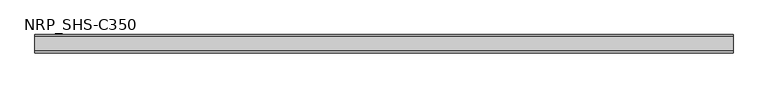
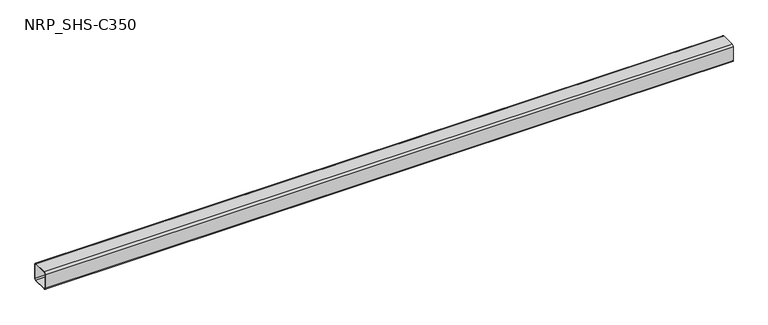
"""IFC4 building model written with IfcOpenShell, lengths in millimetres: member geometry, NRP_SHS-C350."""

from ifc_helpers import new_model, si_unit, point, frame, frame_2d, origin, place, context, project, spatial, polyline, circle_curve, trimmed, segment, composite_curve, outline, extrude, source, transform, mapped, element, save


def nrp_shs_c350_07a56421(model_context):
    return source(origin(), model_context, "Body", "SweptSolid", [
        extrude(outline(composite_curve([segment(trimmed(circle_curve(frame_2d((-35.75, 35.75)), 8.75), [point((-44.5, 35.75))], [point((-35.75, 44.5))], False, "CARTESIAN"), True, "CONTINUOUS"), segment(polyline([(-35.75, 44.5), (35.75, 44.5)]), True, "CONTINUOUS"), segment(trimmed(circle_curve(frame_2d((35.75, 35.75)), 8.75), [point((35.75, 44.5))], [point((44.5, 35.75))], False, "CARTESIAN"), True, "CONTINUOUS"), segment(polyline([(44.5, 35.75), (44.5, -35.75)]), True, "CONTINUOUS"), segment(trimmed(circle_curve(frame_2d((35.75, -35.75)), 8.75), [point((44.5, -35.75))], [point((35.75, -44.5))], False, "CARTESIAN"), True, "CONTINUOUS"), segment(polyline([(35.75, -44.5), (-35.75, -44.5)]), True, "CONTINUOUS"), segment(trimmed(circle_curve(frame_2d((-35.75, -35.75)), 8.75), [point((-35.75, -44.5))], [point((-44.5, -35.75))], False, "CARTESIAN"), True, "CONTINUOUS"), segment(polyline([(-44.5, -35.75), (-44.5, 35.75)]), True, "CONTINUOUS")], self_intersect=False), holes=[composite_curve([segment(polyline([(35.75, 41.0), (-35.75, 41.0)]), True, "CONTINUOUS"), segment(trimmed(circle_curve(frame_2d((-35.75, 35.75)), 5.25), [point((-35.75, 41.0))], [point((-41.0, 35.75))], True, "CARTESIAN"), True, "CONTINUOUS"), segment(polyline([(-41.0, 35.75), (-41.0, -35.75)]), True, "CONTINUOUS"), segment(trimmed(circle_curve(frame_2d((-35.75, -35.75)), 5.25), [point((-41.0, -35.75))], [point((-35.75, -41.0))], True, "CARTESIAN"), True, "CONTINUOUS"), segment(polyline([(-35.75, -41.0), (35.75, -41.0)]), True, "CONTINUOUS"), segment(trimmed(circle_curve(frame_2d((35.75, -35.75)), 5.25), [point((35.75, -41.0))], [point((41.0, -35.75))], True, "CARTESIAN"), True, "CONTINUOUS"), segment(polyline([(41.0, -35.75), (41.0, 35.75)]), True, "CONTINUOUS"), segment(trimmed(circle_curve(frame_2d((35.75, 35.75)), 5.25), [point((41.0, 35.75))], [point((35.75, 41.0))], True, "CARTESIAN"), True, "CONTINUOUS")], self_intersect=False)]), frame((-1702.0, 0.0, 0.0), z_axis=(1.0, 0.0, 0.0), x_axis=(0.0, 1.0, 0.0)), (0.0, 0.0, 1.0), 3409.0),
    ])


if __name__ == "__main__":
    model = new_model("IFC4")
    model_context = context("Model", 3, world=origin())
    ifc_project = project(units=[si_unit("LENGTHUNIT", "METRE", prefix="MILLI")], contexts=[model_context])
    site = spatial("IfcSite", under=ifc_project)
    building = spatial("IfcBuilding", under=site)
    placement = place(None, origin())
    nrp_shs_c350_shape = nrp_shs_c350_07a56421(model_context)
    element("IfcMember", 1, ObjectType="NRP_SHS-C350", at=placement, inside=building, context=model_context, shape_type="MappedRepresentation", body=[
        mapped(nrp_shs_c350_shape, transform((0.0, 0.0, 0.0), x_axis=(1.0, 0.0, 0.0), y_axis=(0.0, 1.0, 0.0), z_axis=(0.0, 0.0, 1.0))),
    ])
    save(model, "model.ifc")
